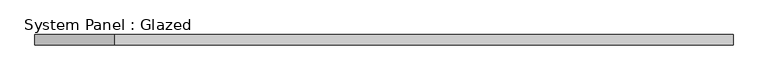
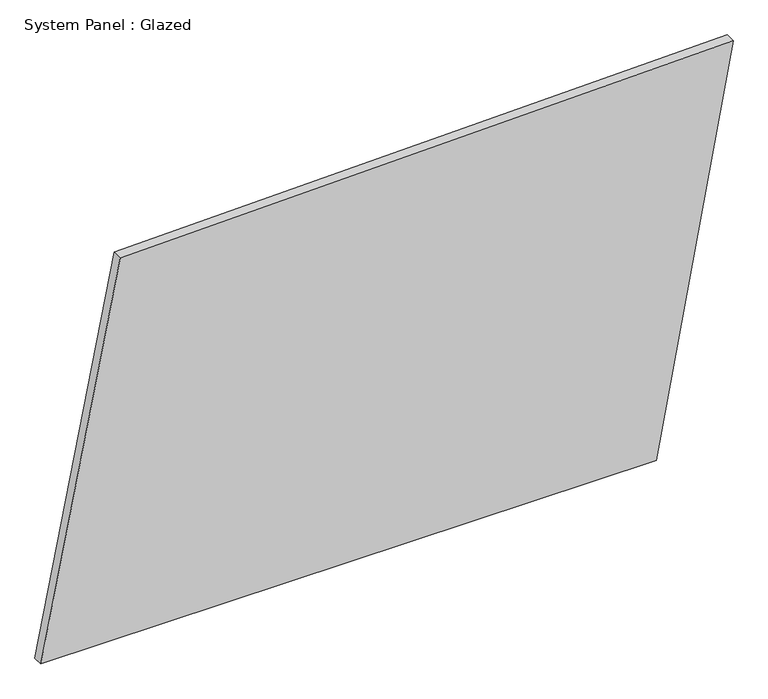
"""IFC4 building model written with IfcOpenShell, lengths in millimetres: plate geometry, System Panel : Glazed."""

from ifc_helpers import new_model, si_unit, frame, origin, place, context, project, spatial, polyline, outline, extrude, source, transform, mapped, element, save


def system_panel_glazed_a4b8d2a6(model_context):
    return source(origin(), model_context, "Body", "SweptSolid", [
        extrude(outline(polyline([(0.0, -847.2380282), (0.0, 659.254621), (1020.7856122, 847.2380282), (983.1385666, -653.0658667), (0.0, -847.2380282)])), frame((0.0, -49.5, 0.0), z_axis=(0.0, 1.0, 0.0), x_axis=(0.0, 0.0, 1.0)), (0.0, 0.0, 1.0), 25.0),
    ])


if __name__ == "__main__":
    model = new_model("IFC4")
    model_context = context("Model", 3, world=origin())
    ifc_project = project(units=[si_unit("LENGTHUNIT", "METRE", prefix="MILLI")], contexts=[model_context])
    site = spatial("IfcSite", under=ifc_project)
    building = spatial("IfcBuilding", under=site)
    placement = place(None, origin())
    system_panel_glazed_shape = system_panel_glazed_a4b8d2a6(model_context)
    element("IfcPlate", 1, ObjectType="System Panel : Glazed", at=placement, inside=building, context=model_context, shape_type="MappedRepresentation", body=[
        mapped(system_panel_glazed_shape, transform((0.0, 0.0, 0.0), x_axis=(1.0, 0.0, 0.0), y_axis=(0.0, 1.0, 0.0), z_axis=(0.0, 0.0, 1.0))),
    ])
    save(model, "model.ifc")
